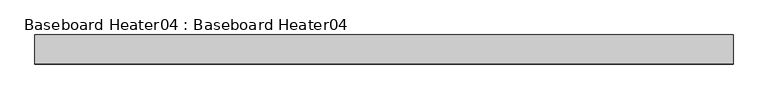
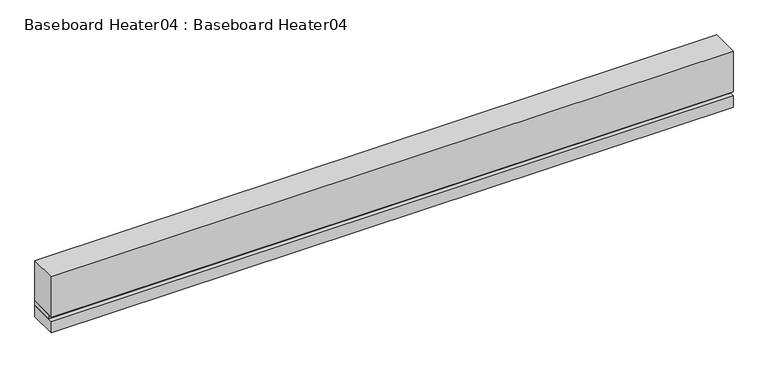
"""IFC4 building model written with IfcOpenShell, lengths in millimetres: proxy geometry, Baseboard Heater04 : Baseboard Heater04."""

from ifc_helpers import new_model, si_unit, frame, origin, origin_with_axes, place, context, project, spatial, polyline, outline, extrude, source, transform, mapped, element, save


def baseboard_heater04_baseboard_heater04_10ee5bc9(model_context):
    return source(origin(), model_context, "Body", "SweptSolid", [
        extrude(outline(polyline([(1828.8, 0.0), (-1828.8, 0.0), (-1828.8, 152.4), (1828.8, 152.4), (1828.8, 0.0)])), origin_with_axes(), (0.0, 0.0, 1.0), 63.5),
        extrude(outline(polyline([(1828.8, 25.4), (-1828.8, 25.4), (-1828.8, 152.4), (1828.8, 152.4), (1828.8, 25.4)])), frame((0.0, 0.0, 63.5), z_axis=(0.0, 0.0, 1.0), x_axis=(1.0, 0.0, 0.0)), (0.0, 0.0, 1.0), 25.4),
        extrude(outline(polyline([(1828.8, 0.0), (-1828.8, 0.0), (-1828.8, 152.4), (1828.8, 152.4), (1828.8, 0.0)])), frame((0.0, 0.0, 88.9), z_axis=(0.0, 0.0, 1.0), x_axis=(1.0, 0.0, 0.0)), (0.0, 0.0, 1.0), 228.6),
    ])


if __name__ == "__main__":
    model = new_model("IFC4")
    model_context = context("Model", 3, world=origin())
    ifc_project = project(units=[si_unit("LENGTHUNIT", "METRE", prefix="MILLI")], contexts=[model_context])
    site = spatial("IfcSite", under=ifc_project)
    building = spatial("IfcBuilding", under=site)
    placement = place(None, origin())
    baseboard_heater04_baseboard_heater04_shape = baseboard_heater04_baseboard_heater04_10ee5bc9(model_context)
    element("IfcBuildingElementProxy", 1, Name="Baseboard Heater04 : Baseboard Heater04", ObjectType="Baseboard Heater04 : Baseboard Heater04", at=placement, inside=building, context=model_context, shape_type="MappedRepresentation", body=[
        mapped(baseboard_heater04_baseboard_heater04_shape, transform((0.0, 0.0, 0.0), x_axis=(1.0, 0.0, 0.0), y_axis=(0.0, 1.0, 0.0), z_axis=(0.0, 0.0, 1.0))),
    ])
    save(model, "model.ifc")
